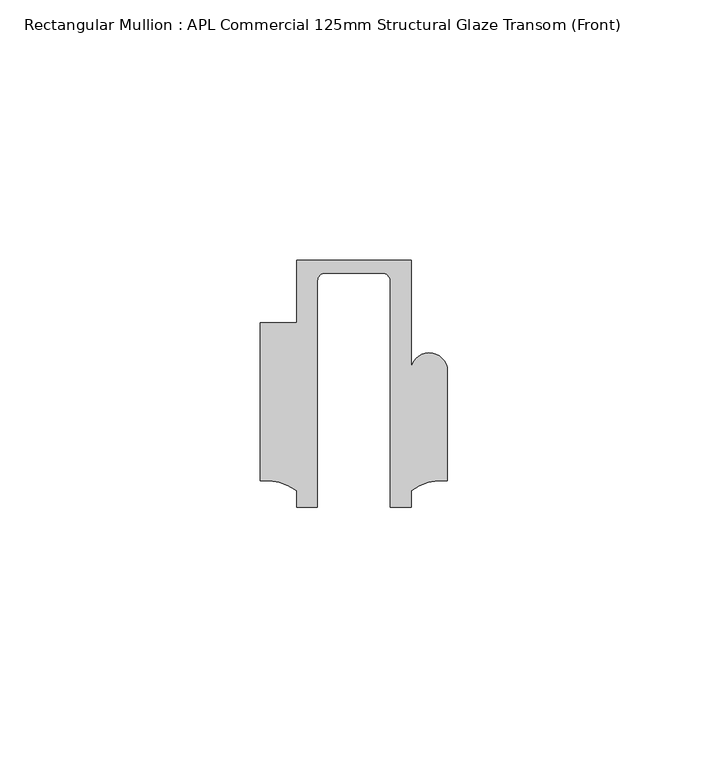
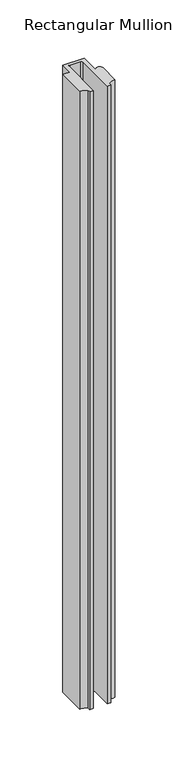
"""IFC4 building model written with IfcOpenShell, lengths in millimetres: member geometry, Rectangular Mullion : APL Commercial 125mm Structural Glaze Transom (Front)."""

from ifc_helpers import new_model, si_unit, frame, origin, place, context, project, spatial, polyline, circle_curve, source, transform, mapped, element, save
from ifc_brep_helpers import plane_surface, cylinder_surface, revolved_surface, advanced_brep


def rectangular_mullion_apl_commercial_125mm_structural_glaze_fd942939(model_context):
    return source(origin(), model_context, "Body", "AdvancedBrep", [
        advanced_brep(
        [(-11.0000151, 27.0, 0.0), (-11.0000151, 15.0006281, 0.0), (-17.9999542, 15.0006281, 0.0), (-17.9999542, -15.3797475, 0.0), (-10.9999994, -17.3125325, 0.0), (-10.9999994, -20.5, 0.0), (-6.9999853, -20.5, 0.0), (-6.9999853, 22.9976091, 0.0), (-5.4999873, 24.5, 0.0), (5.4999872, 24.5, 0.0), (6.9999849, 22.9973451, 0.0), (6.9999849, -20.5, 0.0), (11.0000151, -20.5, 0.0), (11.0000151, -17.3125212, 0.0), (17.9999542, -15.3797475, 0.0), (17.9999542, 5.684606, 0.0), (11.001071, 5.5848769, 0.0), (11.001071, 27.0, 0.0), (-11.0000151, 27.0, -672.0251368), (11.001071, 27.0, -672.0251368), (11.001071, 5.5848769, -672.0251368), (17.9999091, 5.6750512, -672.0251368), (17.9999542, -15.3797475, -672.0251368), (11.0000151, -17.3125212, -672.0251368), (11.0000151, -20.5, -672.0251368), (6.9999849, -20.5, -672.0251368), (6.9999849, 22.9973451, -672.0251368), (5.4999872, 24.5, -672.0251368), (-5.4999873, 24.5, -672.0251368), (-6.9999853, 22.9976091, -672.0251368), (-6.9999853, -20.5, -672.0251368), (-10.9999994, -20.5, -672.0251368), (-10.9999994, -17.3125325, -672.0251368), (-17.9999542, -15.3797475, -672.0251368), (-17.9999542, 15.0006281, -672.0251368), (-11.0000151, 15.0006281, -672.0251368)],
        [
            (0, 1),
            (1, 2),
            (2, 3),
            (3, 4, circle_curve(frame((-17.109817, -25.7981812, 0.0), z_axis=(0.0, 0.0, -1.0), x_axis=(0.0, 1.0, 0.0)), 10.4563907)),
            (4, 5),
            (5, 6),
            (6, 7),
            (7, 8, circle_curve(frame((-5.4999873, 23.0, 0.0), z_axis=(0.0, 0.0, -1.0), x_axis=(2.7320010112268853e-08, 0.9999999999999997, 0.0)), 1.5)),
            (8, 9),
            (9, 10, circle_curve(frame((5.4999872, 23.0, 0.0), z_axis=(0.0, 0.0, -1.0), x_axis=(0.9999999999999986, -5.463622857820516e-08, 0.0)), 1.5)),
            (10, 11),
            (11, 12),
            (12, 13),
            (13, 14, circle_curve(frame((17.109817, -25.7981812, 0.0), z_axis=(0.0, 0.0, -1.0), x_axis=(0.0, 1.0, 0.0)), 10.4563907)),
            (14, 15),
            (15, 16, circle_curve(frame((14.4999091, 5.6750512, 0.0), z_axis=(0.0, 0.0, 1.0), x_axis=(-0.9999826028573957, -0.005898642432633649, 0.0)), 3.5)),
            (16, 17),
            (17, 0),
            (18, 19),
            (19, 20),
            (20, 21, circle_curve(frame((14.4999091, 5.6750512, -672.0251368), z_axis=(0.0, 0.0, -1.0), x_axis=(-0.9999826028573957, -0.005898642432633649, 0.0)), 3.5)),
            (21, 22),
            (22, 23, circle_curve(frame((17.109817, -25.7981812, -672.0251368), z_axis=(0.0, 0.0, 1.0), x_axis=(0.0, 1.0, 0.0)), 10.4563907)),
            (23, 24),
            (24, 25),
            (25, 26),
            (26, 27, circle_curve(frame((5.4999872, 23.0, -672.0251368), z_axis=(0.0, 0.0, 1.0), x_axis=(0.9999999999999986, -5.463622857820516e-08, 0.0)), 1.5)),
            (27, 28),
            (28, 29, circle_curve(frame((-5.4999873, 23.0, -672.0251368), z_axis=(0.0, 0.0, 1.0), x_axis=(2.7320010112268853e-08, 0.9999999999999997, 0.0)), 1.5)),
            (29, 30),
            (30, 31),
            (31, 32),
            (32, 33, circle_curve(frame((-17.109817, -25.7981812, -672.0251368), z_axis=(0.0, 0.0, 1.0), x_axis=(0.0, 1.0, 0.0)), 10.4563907)),
            (33, 34),
            (34, 35),
            (35, 18),
            (0, 18),
            (35, 1),
            (34, 2),
            (33, 3),
            (32, 4),
            (31, 5),
            (30, 6),
            (29, 7),
            (28, 8),
            (27, 9),
            (26, 10),
            (25, 11),
            (24, 12),
            (23, 13),
            (22, 14),
            (21, 15),
            (20, 16),
            (19, 17),
        ],
        [
            plane_surface(frame((0.0, -29.1551636, 0.0), z_axis=(0.0, 0.0, 1.0), x_axis=(-1.0, 0.0, 0.0))),
            plane_surface(frame((0.0, -29.1551636, -672.0251368), z_axis=(0.0, 0.0, -1.0), x_axis=(-1.0, 0.0, 0.0))),
            plane_surface(frame((-11.0000151, 27.0, 0.0), z_axis=(-1.0, 0.0, 0.0), x_axis=(0.0, 0.0, -1.0))),
            plane_surface(frame((-11.0000151, 15.0006281, 0.0), z_axis=(0.0, 1.0, 0.0), x_axis=(0.0, 0.0, -1.0))),
            plane_surface(frame((-17.9999542, 15.0006281, 0.0), z_axis=(-1.0, 0.0, 0.0), x_axis=(0.0, 0.0, -1.0))),
            revolved_surface(polyline([(-17.109817, -15.341790499999998, -672.0251368), (-17.109817, -15.341790499999998, 0.0)]), (-17.109817, -25.7981812, 0.0), (0.0, 0.0, -1.0)),
            plane_surface(frame((-10.9999994, -17.3125325, 0.0), z_axis=(-1.0, 0.0, 0.0), x_axis=(0.0, 0.0, -1.0))),
            plane_surface(frame((-10.9999994, -20.5, 0.0), z_axis=(0.0, -1.0, 0.0), x_axis=(0.0, 0.0, -1.0))),
            plane_surface(frame((-6.9999853, -20.5, 0.0), z_axis=(1.0, 0.0, 0.0), x_axis=(0.0, 0.0, -1.0))),
            revolved_surface(polyline([(-5.499987259019985, 24.5, -672.0251368), (-5.499987259019985, 24.5, 0.0)]), (-5.4999873, 23.0, 0.0), (0.0, 0.0, -1.0)),
            plane_surface(frame((-5.4999873, 24.5, 0.0), z_axis=(0.0, -1.0, 0.0), x_axis=(0.0, 0.0, -1.0))),
            revolved_surface(polyline([(6.999987199999998, 22.999999918045656, -672.0251368), (6.999987199999998, 22.999999918045656, 0.0)]), (5.4999872, 23.0, 0.0), (0.0, 0.0, -1.0)),
            plane_surface(frame((6.9999849, 22.9973451, 0.0), z_axis=(-1.0, 0.0, 0.0), x_axis=(0.0, 0.0, -1.0))),
            plane_surface(frame((6.9999849, -20.5, 0.0), z_axis=(0.0, -1.0, 0.0), x_axis=(0.0, 0.0, -1.0))),
            plane_surface(frame((11.0000151, -20.5, 0.0), z_axis=(1.0, 0.0, 0.0), x_axis=(0.0, 0.0, -1.0))),
            revolved_surface(polyline([(17.109817, -15.341790499999998, -672.0251368), (17.109817, -15.341790499999998, 0.0)]), (17.109817, -25.7981812, 0.0), (0.0, 0.0, -1.0)),
            plane_surface(frame((17.9999542, -15.3797475, 0.0), z_axis=(1.0, 0.0, 0.0), x_axis=(0.0, 0.0, -1.0))),
            cylinder_surface(frame((14.4999091, 5.6750512, 0.0), z_axis=(0.0, 0.0, 1.0), x_axis=(-0.9999826028573957, -0.005898642432633649, 0.0)), 3.5),
            plane_surface(frame((11.001071, 5.5848769, 0.0), z_axis=(1.0, 0.0, 0.0), x_axis=(0.0, 0.0, -1.0))),
            plane_surface(frame((11.001071, 27.0, 0.0), z_axis=(0.0, 1.0, 0.0), x_axis=(0.0, 0.0, -1.0))),
        ],
        [
            (0, [[1, 2, 3, 4, 5, 6, 7, 8, 9, 10, 11, 12, 13, 14, 15, 16, 17, 18]]),
            (1, [[19, 20, 21, 22, 23, 24, 25, 26, 27, 28, 29, 30, 31, 32, 33, 34, 35, 36]]),
            (2, [[-1, 37, -36, 38]]),
            (3, [[-2, -38, -35, 39]]),
            (4, [[-3, -39, -34, 40]]),
            (5, [[-4, -40, -33, 41]]),
            (6, [[-5, -41, -32, 42]]),
            (7, [[-6, -42, -31, 43]]),
            (8, [[-7, -43, -30, 44]]),
            (9, [[-8, -44, -29, 45]]),
            (10, [[-9, -45, -28, 46]]),
            (11, [[-10, -46, -27, 47]]),
            (12, [[-11, -47, -26, 48]]),
            (13, [[-12, -48, -25, 49]]),
            (14, [[-13, -49, -24, 50]]),
            (15, [[-14, -50, -23, 51]]),
            (16, [[-15, -51, -22, 52]]),
            (17, [[-16, -52, -21, 53]]),
            (18, [[-17, -53, -20, 54]]),
            (19, [[-18, -54, -19, -37]]),
        ],
    ),
    ])


if __name__ == "__main__":
    model = new_model("IFC4")
    model_context = context("Model", 3, world=origin())
    ifc_project = project(units=[si_unit("LENGTHUNIT", "METRE", prefix="MILLI")], contexts=[model_context])
    site = spatial("IfcSite", under=ifc_project)
    building = spatial("IfcBuilding", under=site)
    placement = place(None, origin())
    rectangular_mullion_apl_commercial_125mm_structural_glaze_shape = rectangular_mullion_apl_commercial_125mm_structural_glaze_fd942939(model_context)
    element("IfcMember", 1, ObjectType="Rectangular Mullion : APL Commercial 125mm Structural Glaze Transom (Front)", at=placement, inside=building, context=model_context, shape_type="MappedRepresentation", body=[
        mapped(rectangular_mullion_apl_commercial_125mm_structural_glaze_shape, transform((0.0, 0.0, 0.0), x_axis=(1.0, 0.0, 0.0), y_axis=(0.0, 1.0, 0.0), z_axis=(0.0, 0.0, 1.0))),
    ])
    save(model, "model.ifc")
